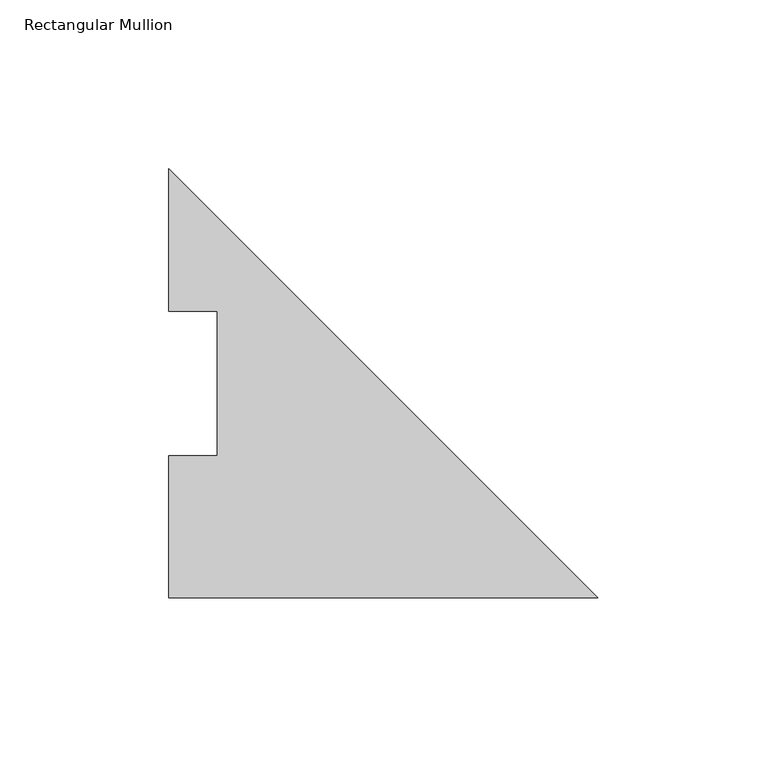
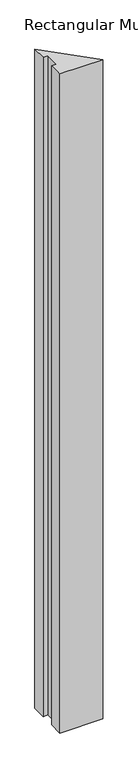
"""IFC4 building model written with IfcOpenShell, lengths in millimetres: member geometry, Rectangular Mullion."""

from ifc_helpers import new_model, si_unit, frame, origin, place, context, project, spatial, polyline, outline, extrude, source, transform, mapped, element, save


def rectangular_mullion_109d9f50(model_context):
    return source(origin(), model_context, "Body", "SweptSolid", [
        extrude(outline(polyline([(-127.0, 0.00635), (-127.0, 42.08145), (-112.7125, 42.08145), (-112.7125, 84.93125), (-127.0, 84.93125), (-127.0, 127.00635), (0.0, 0.00635), (-127.0, 0.00635)])), frame((0.0, 0.0, -2057.4), z_axis=(0.0, 0.0, 1.0), x_axis=(1.0, 0.0, 0.0)), (0.0, 0.0, 1.0), 2057.4),
    ])


if __name__ == "__main__":
    model = new_model("IFC4")
    model_context = context("Model", 3, world=origin())
    ifc_project = project(units=[si_unit("LENGTHUNIT", "METRE", prefix="MILLI")], contexts=[model_context])
    site = spatial("IfcSite", under=ifc_project)
    building = spatial("IfcBuilding", under=site)
    placement = place(None, origin())
    rectangular_mullion_shape = rectangular_mullion_109d9f50(model_context)
    element("IfcMember", 1, ObjectType="Rectangular Mullion", at=placement, inside=building, context=model_context, shape_type="MappedRepresentation", body=[
        mapped(rectangular_mullion_shape, transform((0.0, 0.0, 0.0), x_axis=(1.0, 0.0, 0.0), y_axis=(0.0, 1.0, 0.0), z_axis=(0.0, 0.0, 1.0))),
    ])
    save(model, "model.ifc")
